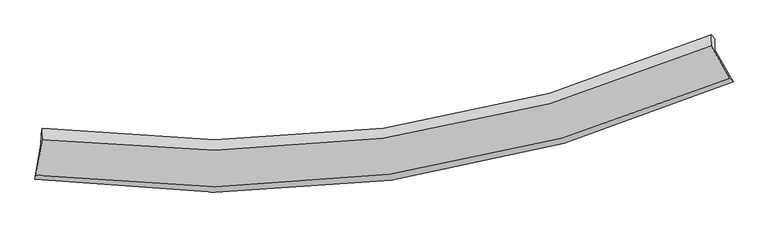
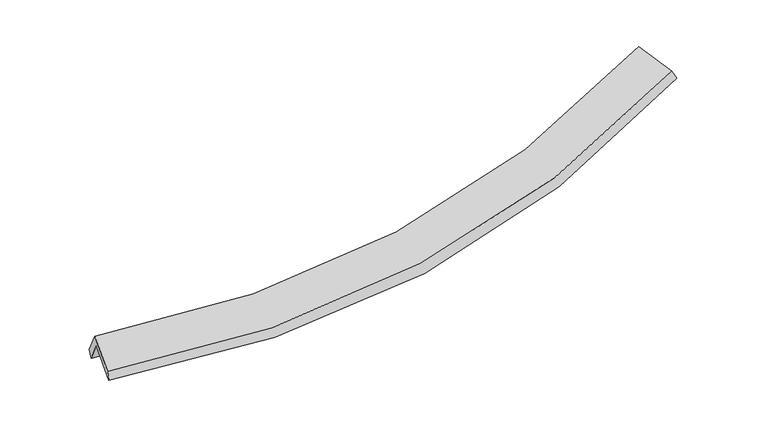
"""IFC4 building model written with IfcOpenShell, lengths in millimetres: proxy geometry."""

import ifcopenshell
import ifcopenshell.guid

model = None  # the IFC model being written
_history = None  # IfcOwnerHistory: only IFC2X3 demands one
_inside = {}  # id of a spatial element -> (the spatial element, [elements in it])
_under = {}  # id of a project, library or spatial element -> (it, [spatial elements below it])
_declared = {}  # id of a project -> (the project, [libraries it declares])
_typed = {}  # id of a type object -> (the type object, [elements of that type])
_made_of = {}  # id of a material, layer set ... -> (it, [elements and type objects made of it])


def new_model(schema):
    """Start an empty IFC model of exactly this schema.

    Asked for "IFC4X3", IfcOpenShell would pick the latest addendum, in which some entities
    have other attributes; the version numbers below select the first issue.
    IFC2X3 requires an IfcOwnerHistory on every rooted entity: one is made here for all.
    """
    global model, _history
    if schema == "IFC4X3":
        model = ifcopenshell.file(schema_version=(4, 3, 0, 0))
    else:
        model = ifcopenshell.file(schema=schema)
    _inside.clear()
    _under.clear()
    _declared.clear()
    _typed.clear()
    _made_of.clear()
    _history = None
    if model.schema == "IFC2X3":
        org = make("IfcOrganization", Name="unknown")
        user = make(
            "IfcPersonAndOrganization",
            ThePerson=make("IfcPerson", FamilyName="unknown"),
            TheOrganization=org,
        )
        app = make(
            "IfcApplication",
            ApplicationDeveloper=org,
            Version="unknown",
            ApplicationFullName="unknown",
            ApplicationIdentifier="unknown",
        )
        _history = make(
            "IfcOwnerHistory",
            OwningUser=user,
            OwningApplication=app,
            ChangeAction="ADDED",
            CreationDate=0,
        )
    return model


def make(cls, **values):
    """One entity of the class cls with the attributes given. An attribute that is None is left unset."""
    return model.create_entity(
        cls, **{name: value for name, value in values.items() if value is not None}
    )


def rooted(cls, **values):
    """An entity with a GlobalId (a new one), such as an element, a storey or a relation."""
    return make(cls, GlobalId=ifcopenshell.guid.new(), OwnerHistory=_history, **values)


def si_unit(unit_type, name, prefix=None):
    """IfcSIUnit, for example si_unit("LENGTHUNIT", "METRE", prefix="MILLI")."""
    return make("IfcSIUnit", UnitType=unit_type, Prefix=prefix, Name=name)


def assignment(units):
    """IfcUnitAssignment: the units of a project."""
    return None if units is None else make("IfcUnitAssignment", Units=units)


def point(xyz):
    """IfcCartesianPoint."""
    return None if xyz is None else make("IfcCartesianPoint", Coordinates=xyz)


def direction(xyz):
    """IfcDirection."""
    return None if xyz is None else make("IfcDirection", DirectionRatios=xyz)


def frame(location, z_axis=None, x_axis=None):
    """IfcAxis2Placement3D, a coordinate frame: its origin and axes. An axis left out is left unset."""
    return make(
        "IfcAxis2Placement3D",
        Location=point(location),
        Axis=direction(z_axis),
        RefDirection=direction(x_axis),
    )


def origin():
    """The frame at (0, 0, 0) with its axes left unset."""
    return frame((0.0, 0.0, 0.0))


def place(relative_to, where):
    """IfcLocalPlacement: puts the frame where relative to a parent placement (None: the world)."""
    return make(
        "IfcLocalPlacement", PlacementRelTo=relative_to, RelativePlacement=where
    )


def context(
    kind, dimensions, precision=None, world=None, true_north=None, identifier=None
):
    """IfcGeometricRepresentationContext, for example the 3D "Model" context."""
    return make(
        "IfcGeometricRepresentationContext",
        ContextIdentifier=identifier,
        ContextType=kind,
        CoordinateSpaceDimension=dimensions,
        Precision=precision,
        WorldCoordinateSystem=world,
        TrueNorth=true_north,
    )


def project(units=None, contexts=None):
    """IfcProject with its units and contexts."""
    return rooted(
        "IfcProject",
        Name="project",
        RepresentationContexts=contexts,
        UnitsInContext=assignment(units),
    )


def spatial(cls, under=None, at=None, **own):
    """A site, building, storey or space (cls), placed at a placement, below another one or the project."""
    s = rooted(cls, ObjectPlacement=at, **own)
    if under is not None:
        _under.setdefault(under.id(), (under, []))[1].append(s)
    return s


def shape(context_of_items, identifier, shape_type, items):
    """IfcShapeRepresentation: the items that make up one representation, for example the "Body"."""
    return make(
        "IfcShapeRepresentation",
        ContextOfItems=context_of_items,
        RepresentationIdentifier=identifier,
        RepresentationType=shape_type,
        Items=items,
    )


def source(mapping_origin, context_of_items, identifier, shape_type, items):
    """IfcRepresentationMap: a shape defined once, which mapped items show again and again."""
    return make(
        "IfcRepresentationMap",
        MappingOrigin=mapping_origin,
        MappedRepresentation=shape(context_of_items, identifier, shape_type, items),
    )


def transform(
    local_origin,
    x_axis=None,
    y_axis=None,
    z_axis=None,
    scale=None,
    scale2=None,
    scale3=None,
    uniform=True,
):
    """IfcCartesianTransformationOperator3D, or its non-uniform kind. x_axis, y_axis, z_axis: its Axis1, 2, 3."""
    if uniform:
        return make(
            "IfcCartesianTransformationOperator3D",
            Axis1=direction(x_axis),
            Axis2=direction(y_axis),
            LocalOrigin=point(local_origin),
            Scale=scale,
            Axis3=direction(z_axis),
        )
    return make(
        "IfcCartesianTransformationOperator3DnonUniform",
        Axis1=direction(x_axis),
        Axis2=direction(y_axis),
        LocalOrigin=point(local_origin),
        Scale=scale,
        Axis3=direction(z_axis),
        Scale2=scale2,
        Scale3=scale3,
    )


def mapped(mapping_source, mapping_target):
    """IfcMappedItem: shows the shape of a source again, moved by a transform."""
    return make(
        "IfcMappedItem", MappingSource=mapping_source, MappingTarget=mapping_target
    )


def made_of(thing, what):
    """Note that an element or type object is made of a material, layer set ...; save() writes the relation."""
    if what is not None:
        _made_of.setdefault(what.id(), (what, []))[1].append(thing)
    return thing


def element(
    cls,
    number,
    at=None,
    inside=None,
    cuts=None,
    type_object=None,
    material=None,
    context=None,
    identifier="Body",
    shape_type=None,
    held_by="IfcProductDefinitionShape",
    body=None,
    shapes=None,
    **own,
):
    """One element of the class cls, such as IfcWall. Its Tag is "e" and its number.

    at: its placement. inside: the storey or other place that contains it. cuts: it is an
    opening in that element (IfcRelVoidsElement). A single representation is given by context,
    identifier, shape_type and body (its items); several are given by shapes. held_by: the class
    of the entity that holds the representations. save() writes the other relations.
    """
    e = rooted(cls, Tag="e%d" % number, ObjectPlacement=at, **own)
    if body is not None:
        shapes = [shape(context, identifier, shape_type, body)]
    if shapes is not None:
        e.Representation = make(held_by, Representations=shapes)
    if inside is not None:
        _inside.setdefault(inside.id(), (inside, []))[1].append(e)
    if cuts is not None:
        rooted(
            "IfcRelVoidsElement", RelatingBuildingElement=cuts, RelatedOpeningElement=e
        )
    if type_object is not None:
        _typed.setdefault(type_object.id(), (type_object, []))[1].append(e)
    return made_of(e, material)


def aggregate(whole, parts):
    """IfcRelAggregates: a whole, such as a stair, and the parts it consists of."""
    return rooted("IfcRelAggregates", RelatingObject=whole, RelatedObjects=parts)


def save(model, path):
    """Write the relations noted so far, then the file.

    IfcRelAggregates (storeys below a building ...), IfcRelContainedInSpatialStructure (elements
    in a storey), IfcRelDefinesByType, IfcRelAssociatesMaterial and IfcRelDeclares: one each for
    every whole, place, type object, material and project.
    """
    for whole, parts in _under.values():
        aggregate(whole, parts)
    for where, things in _inside.values():
        rooted(
            "IfcRelContainedInSpatialStructure",
            RelatedElements=things,
            RelatingStructure=where,
        )
    for kind, things in _typed.values():
        rooted("IfcRelDefinesByType", RelatedObjects=things, RelatingType=kind)
    for what, things in _made_of.values():
        rooted("IfcRelAssociatesMaterial", RelatedObjects=things, RelatingMaterial=what)
    for by, libraries in _declared.values():
        rooted("IfcRelDeclares", RelatingContext=by, RelatedDefinitions=libraries)
    model.write(path)


def plane_surface(at):
    """IfcPlane: the flat surface through the origin of the frame at, square to its z axis."""
    return make("IfcPlane", Position=at)


def spline_curve(degree, points, multiplicities, knots, weights=None):
    """IfcBSplineCurveWithKnots; with weights, IfcRationalBSplineCurveWithKnots."""
    own = dict(
        Degree=degree,
        ControlPointsList=[point(p) for p in points],
        CurveForm="UNSPECIFIED",
        ClosedCurve=False,
        SelfIntersect=False,
        KnotMultiplicities=multiplicities,
        Knots=knots,
        KnotSpec="UNSPECIFIED",
    )
    if weights is None:
        return make("IfcBSplineCurveWithKnots", **own)
    return make("IfcRationalBSplineCurveWithKnots", WeightsData=weights, **own)


def spline_surface(u_degree, v_degree, points, u_multiplicities, v_multiplicities, u_knots, v_knots, weights=None):
    """IfcBSplineSurfaceWithKnots; with weights, IfcRationalBSplineSurfaceWithKnots. points: one row for each step in u."""
    own = dict(
        UDegree=u_degree,
        VDegree=v_degree,
        ControlPointsList=[[point(p) for p in row] for row in points],
        SurfaceForm="UNSPECIFIED",
        UClosed=False,
        VClosed=False,
        SelfIntersect=False,
        UMultiplicities=u_multiplicities,
        VMultiplicities=v_multiplicities,
        UKnots=u_knots,
        VKnots=v_knots,
        KnotSpec="UNSPECIFIED",
    )
    if weights is None:
        return make("IfcBSplineSurfaceWithKnots", **own)
    return make("IfcRationalBSplineSurfaceWithKnots", WeightsData=weights, **own)


def advanced_brep(points, edges, surfaces, faces):
    """IfcAdvancedBrep: a solid bounded by faces that lie on surfaces and meet in shared edges.

    An edge is (start, end): straight between two places in points (the first is 0);
    or (start, end, curve); or (start, end, curve, False) where it runs against its curve.
    A face is (place in surfaces, loops), or (place, loops, False) where it looks against
    its surface's normal. A loop lists edges by number (the first is 1), with a minus sign
    where the edge is run from its end to its start. The first loop is the outer one.
    """
    corners = [point(p) for p in points]
    vertices = [make("IfcVertexPoint", VertexGeometry=c) for c in corners]
    made = []
    for start, end, *more in edges:
        made.append(
            make(
                "IfcEdgeCurve",
                EdgeStart=vertices[start],
                EdgeEnd=vertices[end],
                EdgeGeometry=more[0] if more else make("IfcPolyline", Points=[corners[start], corners[end]]),
                SameSense=more[1] if len(more) > 1 else True,
            )
        )
    hull = []
    for where, loops, *sense in faces:
        bounds = []
        for j, loop in enumerate(loops):
            ring = [make("IfcOrientedEdge", EdgeElement=made[abs(k) - 1], Orientation=k > 0) for k in loop]
            bounds.append(
                make(
                    "IfcFaceOuterBound" if j == 0 else "IfcFaceBound",
                    Bound=make("IfcEdgeLoop", EdgeList=ring),
                    Orientation=True,
                )
            )
        hull.append(make("IfcAdvancedFace", Bounds=bounds, FaceSurface=surfaces[where], SameSense=sense[0] if sense else True))
    return make("IfcAdvancedBrep", Outer=make("IfcClosedShell", CfsFaces=hull))


def generic_models_73b03266(model_context):
    return source(origin(), model_context, "Body", "AdvancedBrep", [
        advanced_brep(
        [(-5684.832841, -2652.2942506, 1493.6680413), (-5585.9003594, -2083.6950746, 1784.1701862), (5444.2798516, -528.8393832, 2701.8218526), (5745.5524821, -1054.3915099, 2437.9670088), (-5581.769815, -1906.3468389, 1435.6402098), (5448.4161142, -351.2456304, 2352.8093788), (-5561.9161846, -1816.9669389, 1551.9916191), (5390.5606192, -285.5716284, 2469.3607189), (-5566.2238703, -2001.9208804, 1915.4685525), (5386.4262925, -463.082261, 2818.2098425), (-5667.0516783, -2581.4131528, 1619.4010322), (5690.6078127, -993.7087721, 2551.8073906)],
        [
            (0, 1),
            (1, 2, spline_curve(3, [(-5585.9003594, -2083.6950746, 1784.1701862), (-3662.908433838, -2334.571100667, 1674.453203293), (-1786.310929334, -2332.233275432, 1695.09567889), (1891.291743437, -1818.728770556, 1998.518356557), (3691.420975464, -1302.781365531, 2283.759769162), (5444.2798516, -528.8393832, 2701.8218526)], [4, 2, 4], [0.0, 18.806710795679987, 37.7901285820335])),
            (2, 3),
            (3, 0, spline_curve(3, [(5745.5524821, -1054.3915099, 2437.9670088), (3930.234586869, -1861.741342958, 2002.165237198), (2065.358825971, -2397.935446554, 1705.854031201), (-1745.687939457, -2925.545086691, 1393.67251625), (-3690.940618763, -2921.985229817, 1375.217399309), (-5684.832841, -2652.2942506, 1493.6680413)], [4, 2, 4], [0.0, 18.983417786353517, 37.7901285820335])),
            (1, 4),
            (4, 5, spline_curve(3, [(-5581.769815, -1906.3468389, 1435.6402098), (-3658.823848248, -2159.196139862, 1329.801165216), (-1782.248958555, -2157.829296849, 1352.351843615), (1895.355179912, -1644.261876746, 1655.650877874), (3695.508932608, -1127.261650497, 1938.82325535), (5448.4161142, -351.2456304, 2352.8093788)], [4, 2, 4], [0.0, 18.47036106219724, 37.1142687884238])),
            (5, 2),
            (4, 6),
            (6, 7, spline_curve(3, [(-5561.9161846, -1816.9669389, 1551.9916191), (-3656.362238495, -2064.448450829, 1470.471069978), (-1794.939361318, -2062.342223034, 1505.254359029), (1856.719442651, -1556.589384014, 1808.848220474), (3646.122167148, -1048.230508004, 2079.854631132), (5390.5606192, -285.5716284, 2469.3607189)], [4, 2, 4], [0.0, 18.39846858654556, 36.96980833872189])),
            (7, 5),
            (6, 8),
            (8, 9, spline_curve(3, [(-5566.2238703, -2001.9208804, 1915.4685525), (-3660.463381248, -2240.534321192, 1816.520208862), (-1798.92243886, -2233.358835803, 1841.341243595), (1852.795822616, -1725.053171008, 2139.918216692), (3642.138267292, -1219.282449978, 2416.010945625), (5386.4262925, -463.082261, 2818.2098425)], [4, 2, 4], [0.0, 18.32660502282893, 36.82540598454529])),
            (9, 7),
            (8, 10),
            (10, 11, spline_curve(3, [(-5667.0516783, -2581.4131528, 1619.4010322), (-3689.481624508, -2834.985960039, 1513.691707556), (-1758.432131145, -2831.290979444, 1537.565467754), (2028.332683432, -2306.913451587, 1845.921034125), (3883.169686299, -1781.373638099, 2132.849392511), (5690.6078127, -993.7087721, 2551.8073906)], [4, 2, 4], [0.0, 18.666304859030053, 37.50799746100299])),
            (11, 9),
            (10, 0),
            (3, 11),
        ],
        [
            spline_surface(3, 3, [[(-5684.832841, -2652.2942506, 1493.6680413), (-3690.940618985, -2921.985230111, 1375.217399138), (-1745.687939211, -2925.545086719, 1393.672515989), (2065.358825723, -2397.935446525, 1705.854031464), (3930.23458698, -1861.74134304, 2002.165237108), (5745.5524821, -1054.3915099, 2437.9670088)], [(-5651.855347146, -2462.761191915, 1590.502089592), (-3681.596557342, -2726.180520179, 1474.962667157), (-1759.228935886, -2727.77448284, 1494.146903713), (2007.336464926, -2204.866554599, 1803.408806422), (3850.630049822, -1675.42135054, 2096.030081126), (5645.128271915, -879.20746765, 2525.918623389)], [(-5618.877853254, -2273.228133285, 1687.336137908), (-3672.252495661, -2530.375810302, 1574.707935199), (-1772.769932558, -2530.003879041, 1594.62129141), (1949.314104131, -2011.797662753, 1900.963581352), (3771.025512717, -1489.101358089, 2189.894925177), (5544.704061785, -704.02342545, 2613.870238011)], [(-5585.9003594, -2083.6950746, 1784.1701862), (-3662.908434017, -2334.57110037, 1674.453203218), (-1786.310929233, -2332.233275162, 1695.095679135), (1891.291743334, -1818.728770828, 1998.518356309), (3691.420975559, -1302.78136559, 2283.759769195), (5444.2798516, -528.8393832, 2701.8218526)]], [4, 4], [4, 2, 4], [0.0, 2.184874937934466], [0.0, 18.806710795679987, 37.7901285820335]),
            spline_surface(3, 3, [[(-5585.9003594, -2083.6950746, 1784.1701862), (-3662.908434017, -2334.57110037, 1674.453203218), (-1786.310929233, -2332.233275162, 1695.095679135), (1891.291743334, -1818.728770828, 1998.518356309), (3691.420975559, -1302.78136559, 2283.759769195), (5444.2798516, -528.8393832, 2701.8218526)], [(-5584.52351127, -2024.57899604, 1667.99352741), (-3661.546905465, -2276.112780166, 1559.569190523), (-1784.956938929, -2274.09861569, 1580.847734043), (1892.646222085, -1760.573139507, 1884.229196723), (3692.783627918, -1244.274793861, 2168.780931183), (5445.658605809, -469.641465612, 2585.484361342)], [(-5583.14666313, -1965.46291746, 1551.81686859), (-3660.185376902, -2217.654459942, 1444.685177798), (-1783.602948581, -2215.96395621, 1466.599788989), (1894.00070088, -1702.417508179, 1769.940037174), (3694.146280249, -1185.768222096, 2053.802093145), (5447.037359991, -410.443547988, 2469.146870058)], [(-5581.769815, -1906.3468389, 1435.6402098), (-3658.82384835, -2159.196139738, 1329.801165103), (-1782.248958277, -2157.829296738, 1352.351843898), (1895.35517963, -1644.261876858, 1655.650877588), (3695.508932608, -1127.261650368, 1938.823255132), (5448.4161142, -351.2456304, 2352.8093788)]], [4, 4], [4, 2, 4], [0.0, 1.2619961101064288], [0.0, 18.47036106219724, 37.1142687884238]),
            spline_surface(3, 3, [[(-5581.769815, -1906.3468389, 1435.6402098), (-3658.82384835, -2159.196139738, 1329.801165103), (-1782.248958277, -2157.829296738, 1352.351843898), (1895.35517963, -1644.261876858, 1655.650877588), (3695.508932608, -1127.261650368, 1938.823255132), (5448.4161142, -351.2456304, 2352.8093788)], [(-5575.151938196, -1876.55353891, 1474.424012911), (-3658.00331164, -2127.613576722, 1376.691133493), (-1786.479092692, -2126.000272189, 1403.319348996), (1882.476600695, -1615.037712584, 1706.716658501), (3679.04667753, -1100.917936289, 1985.83371387), (5429.130949203, -329.354296399, 2391.659825511)], [(-5568.534061404, -1846.76023889, 1513.207815989), (-3657.182774942, -2096.031013675, 1423.58110185), (-1790.70922709, -2094.171247601, 1454.286854085), (1869.598021775, -1585.81354827, 1757.782439405), (3662.584422445, -1074.574222214, 2032.844172575), (5409.845784197, -307.462962401, 2430.510272189)], [(-5561.9161846, -1816.9669389, 1551.9916191), (-3656.362238232, -2064.448450659, 1470.47107024), (-1794.939361505, -2062.342223052, 1505.254359184), (1856.719442839, -1556.589383996, 1808.848220318), (3646.122167368, -1048.230508135, 2079.854631313), (5390.5606192, -285.5716284, 2469.3607189)]], [4, 4], [4, 2, 4], [0.0, 0.591183261593083], [0.0, 18.39846858654556, 36.96980833872189]),
            spline_surface(3, 3, [[(-5561.9161846, -1816.9669389, 1551.9916191), (-3656.362238232, -2064.448450659, 1470.47107024), (-1794.939361505, -2062.342223052, 1505.254359184), (1856.719442839, -1556.589383996, 1808.848220318), (3646.122167368, -1048.230508135, 2079.854631313), (5390.5606192, -285.5716284, 2469.3607189)], [(-5563.352079845, -1878.618252715, 1673.150596886), (-3657.729285951, -2123.143740731, 1585.820783099), (-1796.267053897, -2119.347760566, 1617.283320545), (1855.41156938, -1612.743979749, 1919.204885869), (3644.794200695, -1105.24782213, 2191.906736164), (5389.182510297, -344.741839265, 2585.643760091)], [(-5564.787975055, -1940.269566585, 1794.309574714), (-3659.096333634, -2181.839030858, 1701.170496001), (-1797.594746302, -2176.353298061, 1729.312281931), (1854.103695907, -1668.898575485, 2029.561551446), (3643.466234031, -1162.26513613, 2303.958841042), (5387.804401403, -403.912050135, 2701.926801309)], [(-5566.2238703, -2001.9208804, 1915.4685525), (-3660.463381353, -2240.53432093, 1816.52020886), (-1798.922438694, -2233.358835575, 1841.341243292), (1852.795822448, -1725.053171239, 2139.918216998), (3642.138267359, -1219.282450125, 2416.010945893), (5386.4262925, -463.082261, 2818.2098425)]], [4, 4], [4, 2, 4], [0.0, 1.2279401873719324], [0.0, 18.32660502282893, 36.82540598454529]),
            spline_surface(3, 3, [[(-5566.2238703, -2001.9208804, 1915.4685525), (-3660.463381353, -2240.53432093, 1816.52020886), (-1798.922438694, -2233.358835575, 1841.341243292), (1852.795822448, -1725.053171239, 2139.918216998), (3642.138267359, -1219.282450125, 2416.010945893), (5386.4262925, -463.082261, 2818.2098425)], [(-5599.833139636, -2195.084971206, 1816.77937908), (-3670.13612907, -2438.684867206, 1715.577375014), (-1785.42566943, -2432.669550269, 1740.082651517), (1911.308109371, -1919.006597932, 2041.919155954), (3722.482073764, -1406.646179366, 2321.623761482), (5487.820132555, -639.9577647, 2729.409025189)], [(-5633.442408964, -2388.249061994, 1718.09020562), (-3679.808876778, -2636.835413466, 1614.634541128), (-1771.92890018, -2631.98026499, 1638.824059763), (1969.820396279, -2112.960024652, 1943.920094932), (3802.825880205, -1594.009908607, 2227.236577103), (5589.213972645, -816.8332684, 2640.608207911)], [(-5667.0516783, -2581.4131528, 1619.4010322), (-3689.481624495, -2834.985959742, 1513.691707282), (-1758.432130916, -2831.290979684, 1537.565467988), (2028.332683201, -2306.913451345, 1845.921033889), (3883.169686611, -1781.373637848, 2132.849392692), (5690.6078127, -993.7087721, 2551.8073906)]], [4, 4], [4, 2, 4], [0.0, 2.1984008695138604], [0.0, 18.666304859030053, 37.50799746100299]),
            spline_surface(3, 3, [[(-5667.0516783, -2581.4131528, 1619.4010322), (-3689.481624495, -2834.985959742, 1513.691707282), (-1758.432130916, -2831.290979684, 1537.565467988), (2028.332683201, -2306.913451345, 1845.921033889), (3883.169686611, -1781.373637848, 2132.849392692), (5690.6078127, -993.7087721, 2551.8073906)], [(-5672.978732507, -2605.040185414, 1577.490035221), (-3689.967955966, -2863.985716546, 1467.533604556), (-1754.184067003, -2862.709015376, 1489.601150671), (2040.67473072, -2337.254116419, 1799.232033096), (3898.857986755, -1808.162872919, 2089.288007509), (5708.922702521, -1013.936351374, 2513.860596678)], [(-5678.905786793, -2628.667217986, 1535.579038279), (-3690.454287515, -2892.985473307, 1421.375501864), (-1749.936003125, -2894.127051027, 1441.636833306), (2053.016778204, -2367.594781451, 1752.543032257), (3914.546286836, -1834.952107969, 2045.726622291), (5727.237592279, -1034.163930626, 2475.913802722)], [(-5684.832841, -2652.2942506, 1493.6680413), (-3690.940618985, -2921.985230111, 1375.217399138), (-1745.687939211, -2925.545086719, 1393.672515989), (2065.358825723, -2397.935446525, 1705.854031464), (3930.23458698, -1861.74134304, 2002.165237108), (5745.5524821, -1054.3915099, 2437.9670088)]], [4, 4], [4, 2, 4], [0.0, 0.5621346005212805], [0.0, 19.074516833506863, 38.328256950915915]),
            plane_surface(frame((5517.6405287, -612.8065308, 2555.3293654), z_axis=(0.8899396212631843, 0.4021310445312083, 0.21516991780957548), x_axis=(0.45595604641051035, -0.7953881155902708, -0.3993267200168985))),
            plane_surface(frame((-5607.9491248, -2173.772856, 1633.3899402), z_axis=(-0.9881518692464752, 0.14120535522794064, 0.060140925829654364), x_axis=(0.12226843820416831, 0.4873990140995484, 0.8645765611407135))),
        ],
        [
            (0, [[1, 2, 3, 4]]),
            (1, [[5, 6, 7, -2]]),
            (2, [[8, 9, 10, -6]]),
            (3, [[11, 12, 13, -9]]),
            (4, [[14, 15, 16, -12]]),
            (5, [[17, -4, 18, -15]]),
            (6, [[-16, -18, -3, -7, -10, -13]]),
            (7, [[-17, -14, -11, -8, -5, -1]]),
        ],
    ),
    ])


if __name__ == "__main__":
    model = new_model("IFC4")
    model_context = context("Model", 3, world=origin())
    ifc_project = project(units=[si_unit("LENGTHUNIT", "METRE", prefix="MILLI")], contexts=[model_context])
    site = spatial("IfcSite", under=ifc_project)
    building = spatial("IfcBuilding", under=site)
    placement = place(None, origin())
    generic_models_shape = generic_models_73b03266(model_context)
    element("IfcBuildingElementProxy", 1, Name="Generic Models", at=placement, inside=building, context=model_context, shape_type="MappedRepresentation", body=[
        mapped(generic_models_shape, transform((0.0, 0.0, 0.0), x_axis=(1.0, 0.0, 0.0), y_axis=(0.0, 1.0, 0.0), z_axis=(0.0, 0.0, 1.0))),
    ])
    save(model, "model.ifc")
